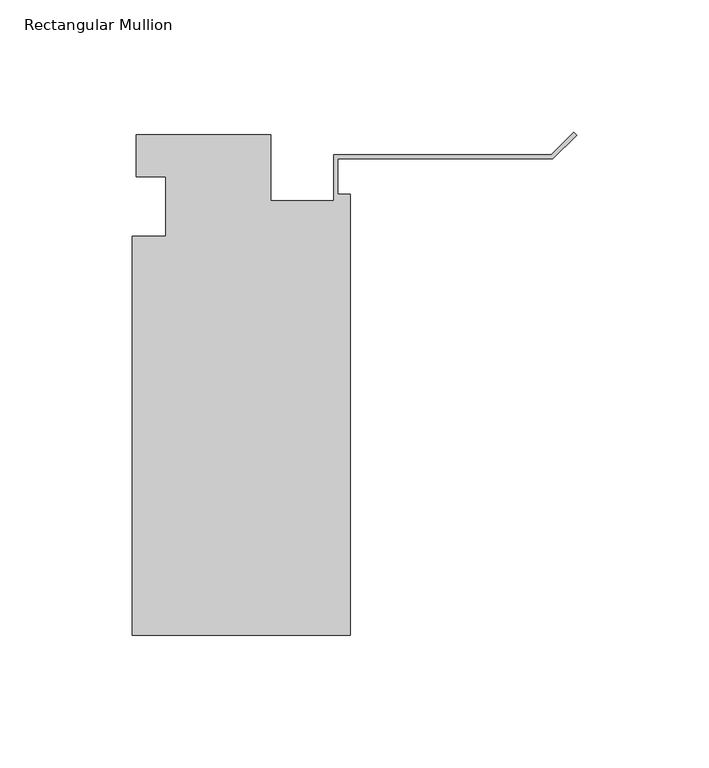
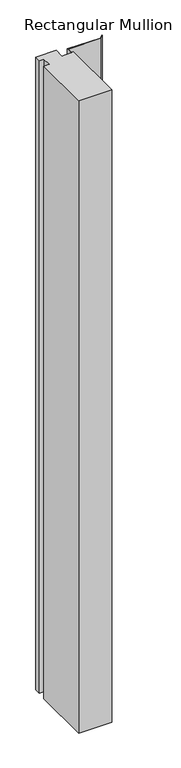
"""IFC4 building model written with IfcOpenShell, lengths in millimetres: member geometry, Rectangular Mullion."""

from ifc_helpers import new_model, si_unit, frame, origin, place, context, project, spatial, polyline, outline, extrude, source, transform, mapped, element, save


def rectangular_mullion_9f5aba00(model_context):
    return source(origin(), model_context, "Body", "SweptSolid", [
        extrude(outline(polyline([(-166.5396311, 0.3532188), (-115.7396311, 0.3532188), (-115.7396311, -24.5133812), (-91.9271311, -24.5133812), (-91.9271311, -7.1508736), (-9.6378202, -7.1508736), (-1.122532, 1.3644146), (0.0, 0.2418825), (-8.9802561, -8.7383736), (-90.3396311, -8.7383736), (-90.3396311, -22.1257812), (-85.5771311, -22.1257812), (-85.5771311, -188.8132813), (-168.1144311, -188.8132813), (-168.1144311, -38.0007813), (-155.4144311, -38.0007812), (-155.4144311, -15.5217812), (-166.5396311, -15.5217812), (-166.5396311, 0.3532188)])), frame((0.0, 0.0, -1676.4), z_axis=(0.0, 0.0, 1.0), x_axis=(1.0, 0.0, 0.0)), (0.0, 0.0, 1.0), 1676.4),
    ])


if __name__ == "__main__":
    model = new_model("IFC4")
    model_context = context("Model", 3, world=origin())
    ifc_project = project(units=[si_unit("LENGTHUNIT", "METRE", prefix="MILLI")], contexts=[model_context])
    site = spatial("IfcSite", under=ifc_project)
    building = spatial("IfcBuilding", under=site)
    placement = place(None, origin())
    rectangular_mullion_shape = rectangular_mullion_9f5aba00(model_context)
    element("IfcMember", 1, ObjectType="Rectangular Mullion", at=placement, inside=building, context=model_context, shape_type="MappedRepresentation", body=[
        mapped(rectangular_mullion_shape, transform((0.0, 0.0, 0.0), x_axis=(1.0, 0.0, 0.0), y_axis=(0.0, 1.0, 0.0), z_axis=(0.0, 0.0, 1.0))),
    ])
    save(model, "model.ifc")
